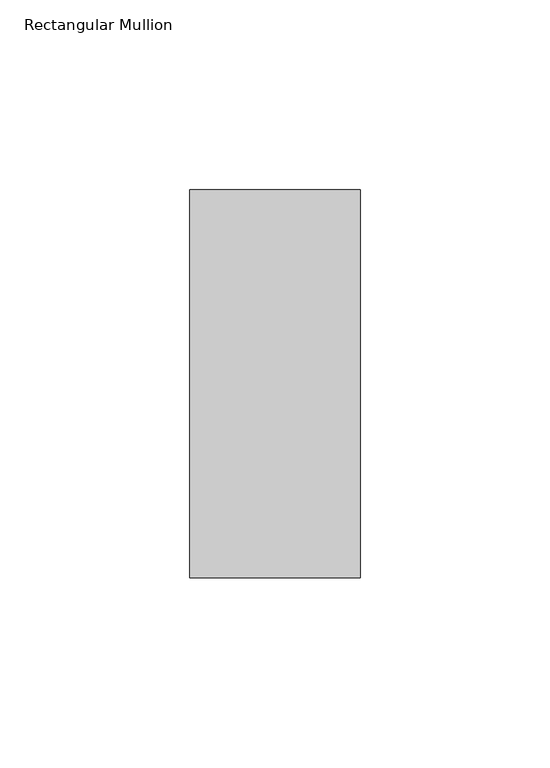
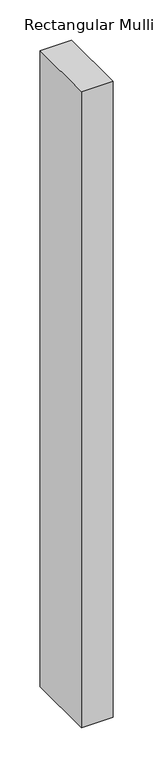
"""IFC4 building model written with IfcOpenShell, lengths in millimetres: member geometry, Rectangular Mullion."""

from ifc_helpers import new_model, si_unit, frame, origin, place, context, project, spatial, polyline, outline, extrude, source, transform, mapped, element, save


def rectangular_mullion_63efb276(model_context):
    return source(origin(), model_context, "Body", "SweptSolid", [
        extrude(outline(polyline([(-45.0, 66.73125), (0.0, 66.73125), (0.0, -35.73125), (-45.0, -35.73125), (-45.0, 66.73125)])), frame((0.0, 0.0, -961.787254), z_axis=(0.0, 0.0, 1.0), x_axis=(1.0, 0.0, 0.0)), (0.0, 0.0, 1.0), 961.787254),
    ])


if __name__ == "__main__":
    model = new_model("IFC4")
    model_context = context("Model", 3, world=origin())
    ifc_project = project(units=[si_unit("LENGTHUNIT", "METRE", prefix="MILLI")], contexts=[model_context])
    site = spatial("IfcSite", under=ifc_project)
    building = spatial("IfcBuilding", under=site)
    placement = place(None, origin())
    rectangular_mullion_shape = rectangular_mullion_63efb276(model_context)
    element("IfcMember", 1, ObjectType="Rectangular Mullion", at=placement, inside=building, context=model_context, shape_type="MappedRepresentation", body=[
        mapped(rectangular_mullion_shape, transform((0.0, 0.0, 0.0), x_axis=(1.0, 0.0, 0.0), y_axis=(0.0, 1.0, 0.0), z_axis=(0.0, 0.0, 1.0))),
    ])
    save(model, "model.ifc")
